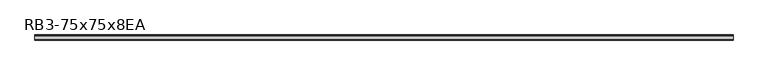
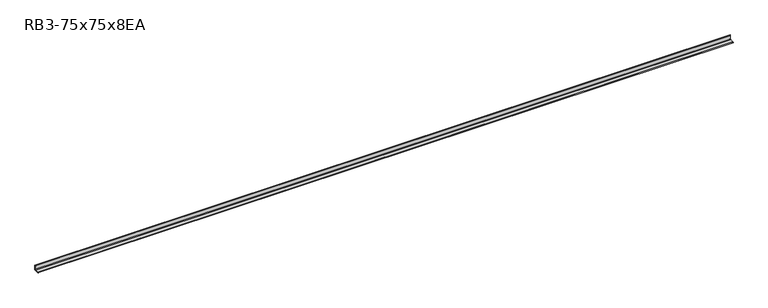
"""IFC4 building model written with IfcOpenShell, lengths in millimetres: member geometry, RB3-75x75x8EA."""

from ifc_helpers import new_model, si_unit, point, frame, frame_2d, origin, place, context, project, spatial, polyline, circle_curve, trimmed, segment, composite_curve, outline, extrude, source, transform, mapped, element, save


def rb3_75x75x8ea_9d7b3945(model_context):
    return source(origin(), model_context, "Body", "SweptSolid", [
        extrude(outline(composite_curve([segment(polyline([(21.3, -21.3), (-53.7, -21.3), (-53.7, -18.3)]), True, "CONTINUOUS"), segment(trimmed(circle_curve(frame_2d((-48.7, -18.3)), 5.0), [point((-53.7, -18.3))], [point((-48.7, -13.3))], False, "CARTESIAN"), True, "CONTINUOUS"), segment(polyline([(-48.7, -13.3), (5.3, -13.3)]), True, "CONTINUOUS"), segment(trimmed(circle_curve(frame_2d((5.3, -5.3)), 8.0), [point((5.3, -13.3))], [point((13.3, -5.3))], True, "CARTESIAN"), True, "CONTINUOUS"), segment(polyline([(13.3, -5.3), (13.3, 48.7)]), True, "CONTINUOUS"), segment(trimmed(circle_curve(frame_2d((18.3, 48.7)), 5.0), [point((13.3, 48.7))], [point((18.3, 53.7))], False, "CARTESIAN"), True, "CONTINUOUS"), segment(polyline([(18.3, 53.7), (21.3, 53.7), (21.3, -21.3)]), True, "CONTINUOUS")], self_intersect=False)), frame((-5102.0, 0.0, 0.0), z_axis=(1.0, 0.0, 0.0), x_axis=(0.0, 1.0, 0.0)), (0.0, 0.0, 1.0), 10170.0),
    ])


if __name__ == "__main__":
    model = new_model("IFC4")
    model_context = context("Model", 3, world=origin())
    ifc_project = project(units=[si_unit("LENGTHUNIT", "METRE", prefix="MILLI")], contexts=[model_context])
    site = spatial("IfcSite", under=ifc_project)
    building = spatial("IfcBuilding", under=site)
    placement = place(None, origin())
    rb3_75x75x8ea_shape = rb3_75x75x8ea_9d7b3945(model_context)
    element("IfcMember", 1, ObjectType="RB3-75x75x8EA", at=placement, inside=building, context=model_context, shape_type="MappedRepresentation", body=[
        mapped(rb3_75x75x8ea_shape, transform((0.0, 0.0, 0.0), x_axis=(1.0, 0.0, 0.0), y_axis=(0.0, 1.0, 0.0), z_axis=(0.0, 0.0, 1.0))),
    ])
    save(model, "model.ifc")
